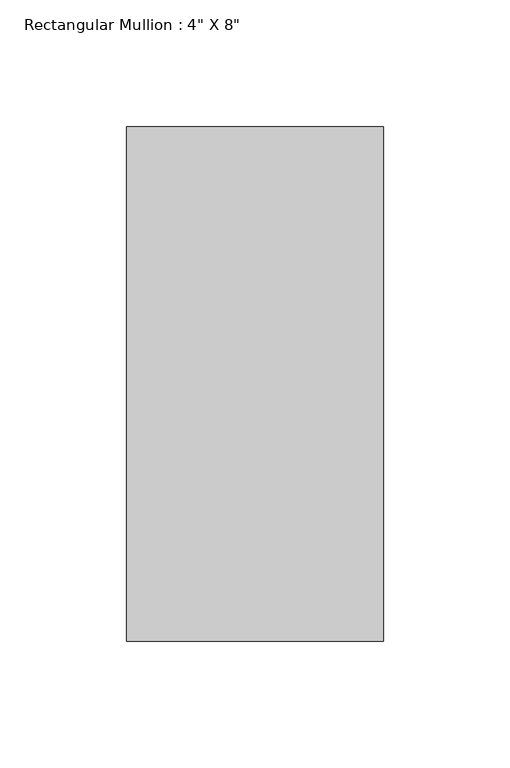
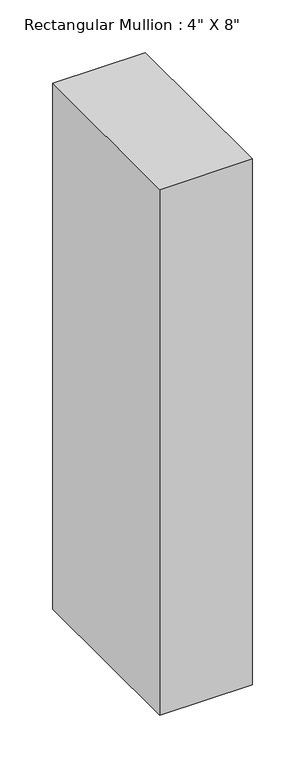
"""IFC4 building model written with IfcOpenShell, lengths in millimetres: member geometry."""

from ifc_helpers import new_model, si_unit, frame, origin, place, context, project, spatial, polyline, outline, extrude, source, transform, mapped, element, save


def member_fb5af9c1(model_context):
    return source(origin(), model_context, "Body", "SweptSolid", [
        extrude(outline(polyline([(50.8, 63.5), (50.8, -139.7), (-50.8, -139.7), (-50.8, 63.5), (50.8, 63.5)])), frame((0.0, 0.0, -609.6), z_axis=(0.0, 0.0, 1.0), x_axis=(1.0, 0.0, 0.0)), (0.0, 0.0, 1.0), 609.6),
    ])


if __name__ == "__main__":
    model = new_model("IFC4")
    model_context = context("Model", 3, world=origin())
    ifc_project = project(units=[si_unit("LENGTHUNIT", "METRE", prefix="MILLI")], contexts=[model_context])
    site = spatial("IfcSite", under=ifc_project)
    building = spatial("IfcBuilding", under=site)
    placement = place(None, origin())
    member_shape = member_fb5af9c1(model_context)
    element("IfcMember", 1, ObjectType="Rectangular Mullion : 4\" X 8\"", at=placement, inside=building, context=model_context, shape_type="MappedRepresentation", body=[
        mapped(member_shape, transform((0.0, 0.0, 0.0), x_axis=(1.0, 0.0, 0.0), y_axis=(0.0, 1.0, 0.0), z_axis=(0.0, 0.0, 1.0))),
    ])
    save(model, "model.ifc")
